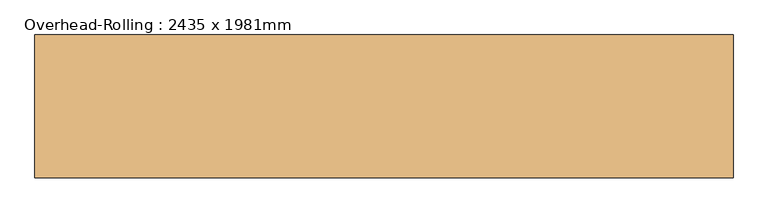
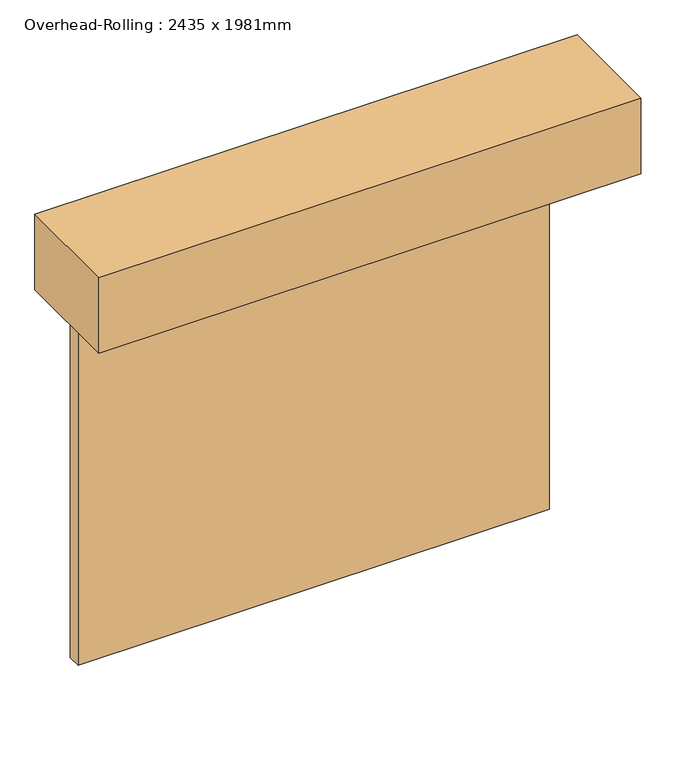
"""IFC4 building model written with IfcOpenShell, lengths in millimetres: door geometry, Overhead-Rolling : 2435 x 1981mm."""

from ifc_helpers import new_model, si_unit, frame, origin, origin_with_axes, place, context, project, spatial, polyline, outline, extrude, source, transform, mapped, element, save


def overhead_rolling_2435_x_1981mm_c1e490d6(model_context):
    return source(origin(), model_context, "Body", "SweptSolid", [
        extrude(outline(polyline([(1350.0, -112.5), (1350.0, -188.5), (-1350.0, -188.5), (-1350.0, -112.5), (1350.0, -112.5)])), origin_with_axes(), (0.0, 0.0, 1.0), 2300.0),
        extrude(outline(polyline([(1553.2, -747.3), (-1553.2, -747.3), (-1553.2, -112.5), (1553.2, -112.5), (1553.2, -747.3)])), frame((0.0, 0.0, 2300.0), z_axis=(0.0, 0.0, 1.0), x_axis=(1.0, 0.0, 0.0)), (0.0, 0.0, 1.0), 457.2),
    ])


if __name__ == "__main__":
    model = new_model("IFC4")
    model_context = context("Model", 3, world=origin())
    ifc_project = project(units=[si_unit("LENGTHUNIT", "METRE", prefix="MILLI")], contexts=[model_context])
    site = spatial("IfcSite", under=ifc_project)
    building = spatial("IfcBuilding", under=site)
    placement = place(None, origin())
    overhead_rolling_2435_x_1981mm_shape = overhead_rolling_2435_x_1981mm_c1e490d6(model_context)
    element("IfcDoor", 1, ObjectType="Overhead-Rolling : 2435 x 1981mm", at=placement, inside=building, context=model_context, shape_type="MappedRepresentation", body=[
        mapped(overhead_rolling_2435_x_1981mm_shape, transform((0.0, 0.0, 0.0), x_axis=(1.0, 0.0, 0.0), y_axis=(0.0, 1.0, 0.0), z_axis=(0.0, 0.0, 1.0))),
    ])
    save(model, "model.ifc")
